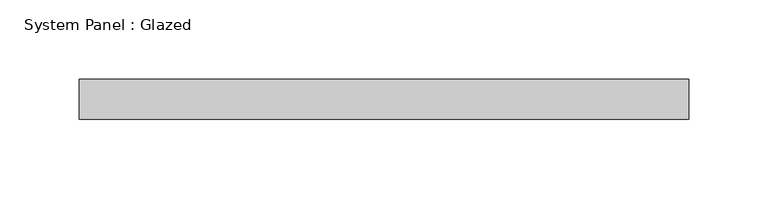
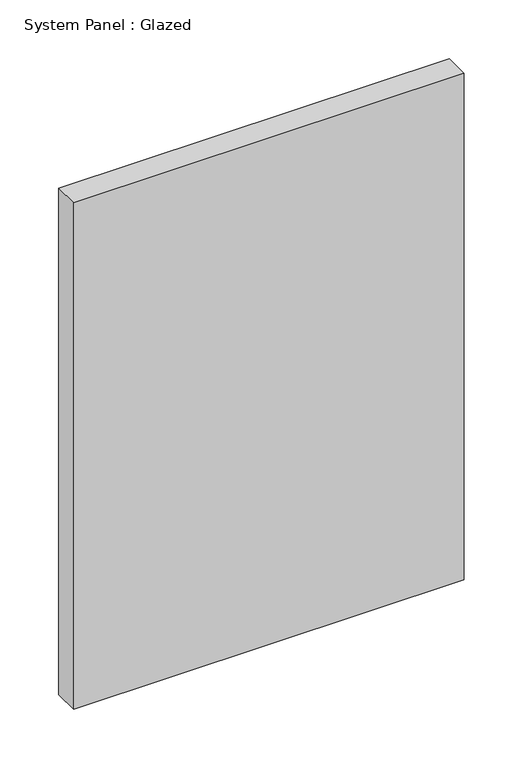
"""IFC4 building model written with IfcOpenShell, lengths in millimetres: plate geometry, System Panel : Glazed."""

from ifc_helpers import new_model, si_unit, origin, origin_with_axes, place, context, project, spatial, polyline, outline, extrude, source, transform, mapped, element, save


def system_panel_glazed_009068b0(model_context):
    return source(origin(), model_context, "Body", "SweptSolid", [
        extrude(outline(polyline([(191.7387421, -49.5), (-191.7387421, -49.5), (-191.7387421, -24.5), (191.7387421, -24.5), (191.7387421, -49.5)])), origin_with_axes(), (0.0, 0.0, 1.0), 525.0),
    ])


if __name__ == "__main__":
    model = new_model("IFC4")
    model_context = context("Model", 3, world=origin())
    ifc_project = project(units=[si_unit("LENGTHUNIT", "METRE", prefix="MILLI")], contexts=[model_context])
    site = spatial("IfcSite", under=ifc_project)
    building = spatial("IfcBuilding", under=site)
    placement = place(None, origin())
    system_panel_glazed_shape = system_panel_glazed_009068b0(model_context)
    element("IfcPlate", 1, ObjectType="System Panel : Glazed", at=placement, inside=building, context=model_context, shape_type="MappedRepresentation", body=[
        mapped(system_panel_glazed_shape, transform((0.0, 0.0, 0.0), x_axis=(1.0, 0.0, 0.0), y_axis=(0.0, 1.0, 0.0), z_axis=(0.0, 0.0, 1.0))),
    ])
    save(model, "model.ifc")
